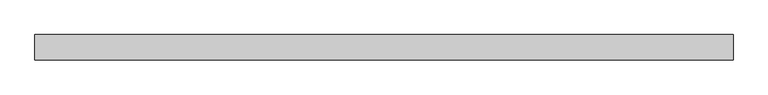
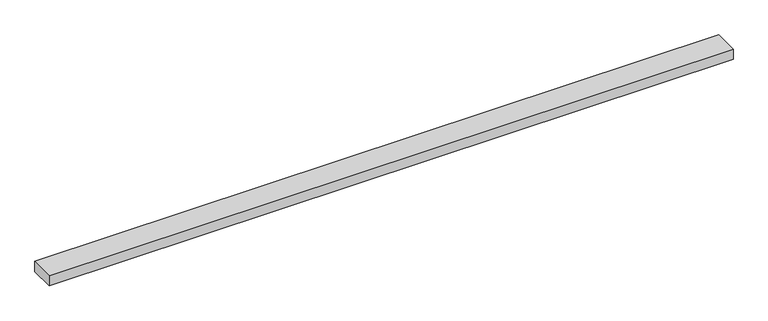
"""IFC4 building model written with IfcOpenShell, lengths in millimetres: beam geometry."""

from ifc_helpers import new_model, si_unit, frame, origin, place, context, project, spatial, polyline, outline, extrude, source, transform, mapped, element, save


def beam_7f02f000(model_context):
    return source(origin(), model_context, "Body", "SweptSolid", [
        extrude(outline(polyline([(692.820323, 25.0), (692.820323, -25.0), (-692.820323, -25.0), (-692.820323, 25.0), (692.820323, 25.0)])), frame((0.0, 0.0, -11.0), z_axis=(0.0, 0.0, 1.0), x_axis=(1.0, 0.0, 0.0)), (0.0, 0.0, 1.0), 22.0),
    ])


if __name__ == "__main__":
    model = new_model("IFC4")
    model_context = context("Model", 3, world=origin())
    ifc_project = project(units=[si_unit("LENGTHUNIT", "METRE", prefix="MILLI")], contexts=[model_context])
    site = spatial("IfcSite", under=ifc_project)
    building = spatial("IfcBuilding", under=site)
    placement = place(None, origin())
    beam_shape = beam_7f02f000(model_context)
    element("IfcBeam", 1, at=placement, inside=building, context=model_context, shape_type="MappedRepresentation", body=[
        mapped(beam_shape, transform((0.0, 0.0, 0.0), x_axis=(1.0, 0.0, 0.0), y_axis=(0.0, 1.0, 0.0), z_axis=(0.0, 0.0, 1.0))),
    ])
    save(model, "model.ifc")
